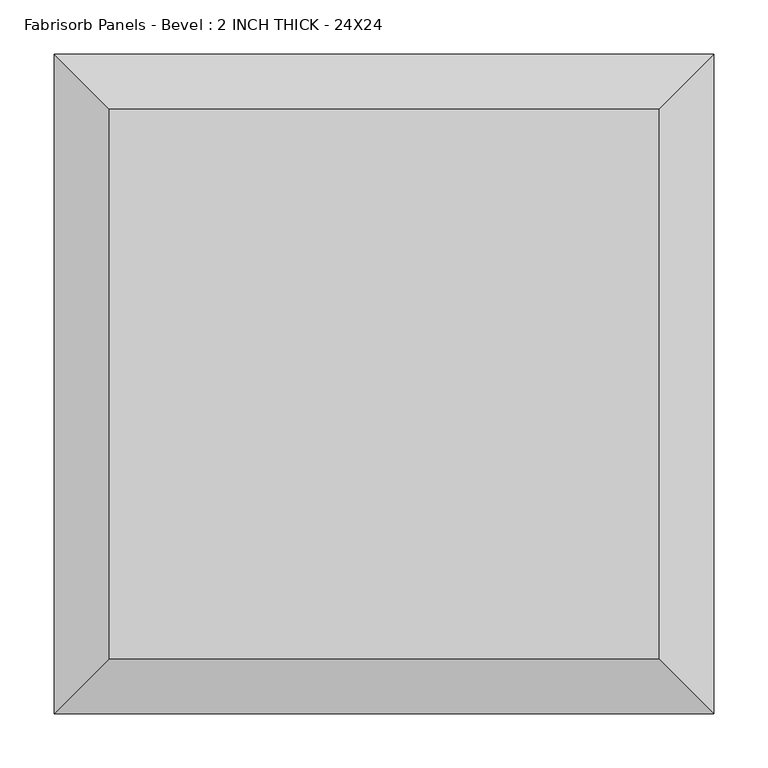
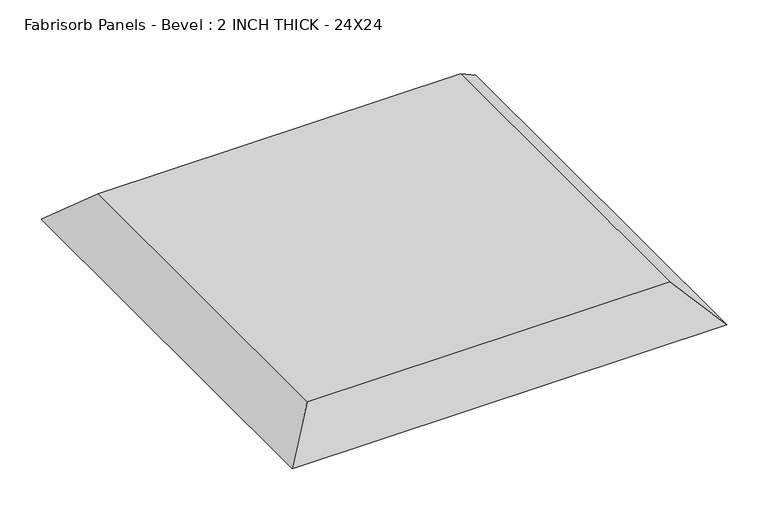
"""IFC4 building model written with IfcOpenShell, lengths in millimetres: proxy geometry, Fabrisorb Panels - Bevel : 2 INCH THICK - 24X24."""

from ifc_helpers import new_model, si_unit, origin, place, context, project, spatial, faceted_brep, source, transform, mapped, element, save


def fabrisorb_panels_bevel_2_inch_thick_24x24_9237b734(model_context):
    return source(origin(), model_context, "Body", "Brep", [
        faceted_brep([(254.0, 254.0, 50.8), (-254.0, 254.0, 50.8), (-254.0, -254.0, 50.8), (254.0, -254.0, 50.8), (-304.8, 304.8, 0.0), (304.8, 304.8, 0.0), (304.8, -304.8, 0.0), (-304.8, -304.8, 0.0)], [[[0, 1, 2, 3]], [[4, 5, 6, 7]], [[4, 1, 0, 5]], [[1, 4, 7, 2]], [[2, 7, 6, 3]], [[5, 0, 3, 6]]]),
    ])


if __name__ == "__main__":
    model = new_model("IFC4")
    model_context = context("Model", 3, world=origin())
    ifc_project = project(units=[si_unit("LENGTHUNIT", "METRE", prefix="MILLI")], contexts=[model_context])
    site = spatial("IfcSite", under=ifc_project)
    building = spatial("IfcBuilding", under=site)
    placement = place(None, origin())
    fabrisorb_panels_bevel_2_inch_thick_24x24_shape = fabrisorb_panels_bevel_2_inch_thick_24x24_9237b734(model_context)
    element("IfcBuildingElementProxy", 1, Name="Fabrisorb Panels - Bevel : 2 INCH THICK - 24X24", ObjectType="Fabrisorb Panels - Bevel : 2 INCH THICK - 24X24", at=placement, inside=building, context=model_context, shape_type="MappedRepresentation", body=[
        mapped(fabrisorb_panels_bevel_2_inch_thick_24x24_shape, transform((0.0, 0.0, 0.0), x_axis=(1.0, 0.0, 0.0), y_axis=(0.0, 1.0, 0.0), z_axis=(0.0, 0.0, 1.0))),
    ])
    save(model, "model.ifc")
